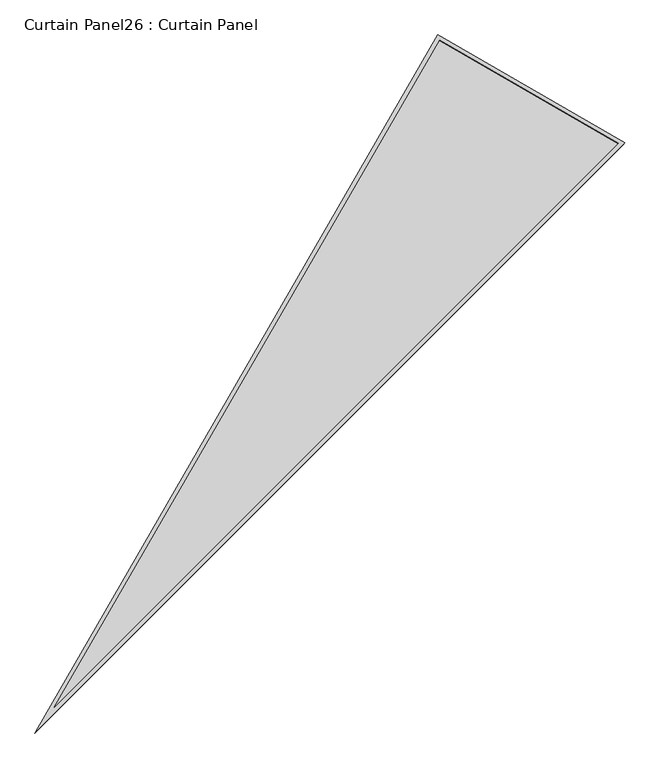
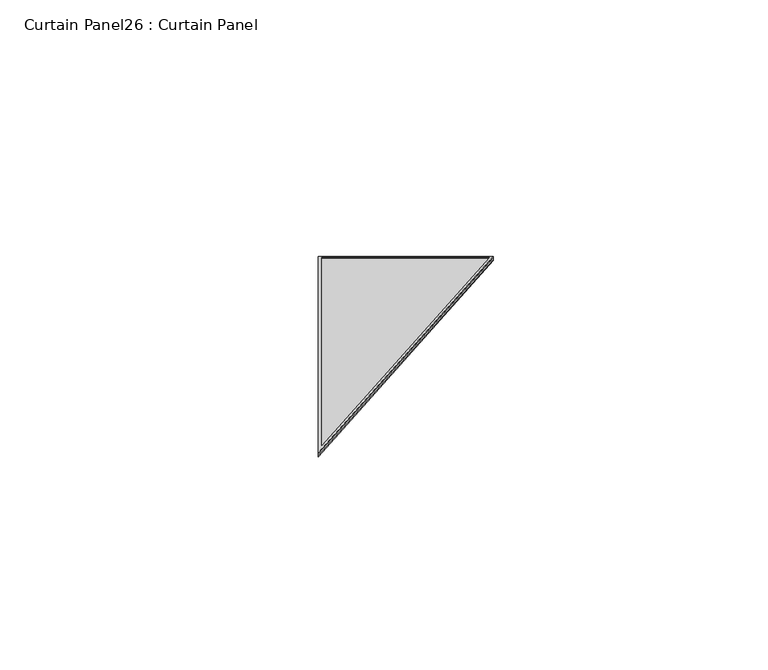
"""IFC4 building model written with IfcOpenShell, lengths in millimetres: plate geometry, Curtain Panel26 : Curtain Panel."""

from ifc_helpers import new_model, si_unit, frame, origin, place, context, project, spatial, polyline, outline, extrude, source, transform, mapped, element, save


def curtain_panel26_curtain_panel_4d8672cb(model_context):
    return source(origin(), model_context, "Body", "SweptSolid", [
        extrude(outline(polyline([(895.9373553, 0.0), (0.0, -3524.4506618), (0.0, 0.0), (895.9373553, 0.0)]), holes=[polyline([(874.508816, -16.6627979), (16.6627979, -16.6627979), (16.6627978, -3391.2692346), (874.508816, -16.6627979)])]), frame((16370.1269625, 6663.5482846, 898.7195056), z_axis=(0.158072911986906, 0.2737903148616776, 0.948710608132914), x_axis=(0.8660254037844345, -0.5000000000000073, 0.0)), (0.0, 0.0, 1.0), 4.8113593),
        extrude(outline(polyline([(895.9373553, 0.0), (0.0, -3524.4506618), (0.0, 0.0), (895.9373553, 0.0)]), holes=[polyline([(882.6749851, -10.3127979), (10.3127979, -10.3127979), (10.3127979, -3442.0231397), (882.6749851, -10.3127979)])]), frame((16367.3373872, 6658.7165985, 881.9772337), z_axis=(0.15807291198690585, 0.2737903148616778, 0.948710608132914), x_axis=(0.8660254037844343, -0.5000000000000078, 0.0)), (0.0, 0.0, 1.0), 4.7793186),
        extrude(outline(polyline([(12.7, 0.0), (908.6373553, 0.0), (12.6999999, -3524.4506618), (12.7, 0.0)])), frame((16357.0943454, 6666.3751296, 886.5114239), z_axis=(0.1580729119869057, 0.2737903148616775, 0.9487106081329141), x_axis=(0.8660254037844347, -0.5000000000000069, 0.0)), (0.0, 0.0, 1.0), 12.8680776),
    ])


if __name__ == "__main__":
    model = new_model("IFC4")
    model_context = context("Model", 3, world=origin())
    ifc_project = project(units=[si_unit("LENGTHUNIT", "METRE", prefix="MILLI")], contexts=[model_context])
    site = spatial("IfcSite", under=ifc_project)
    building = spatial("IfcBuilding", under=site)
    placement = place(None, origin())
    curtain_panel26_curtain_panel_shape = curtain_panel26_curtain_panel_4d8672cb(model_context)
    element("IfcPlate", 1, ObjectType="Curtain Panel26 : Curtain Panel", at=placement, inside=building, context=model_context, shape_type="MappedRepresentation", body=[
        mapped(curtain_panel26_curtain_panel_shape, transform((0.0, 0.0, 0.0), x_axis=(1.0, 0.0, 0.0), y_axis=(0.0, 1.0, 0.0), z_axis=(0.0, 0.0, 1.0))),
    ])
    save(model, "model.ifc")
